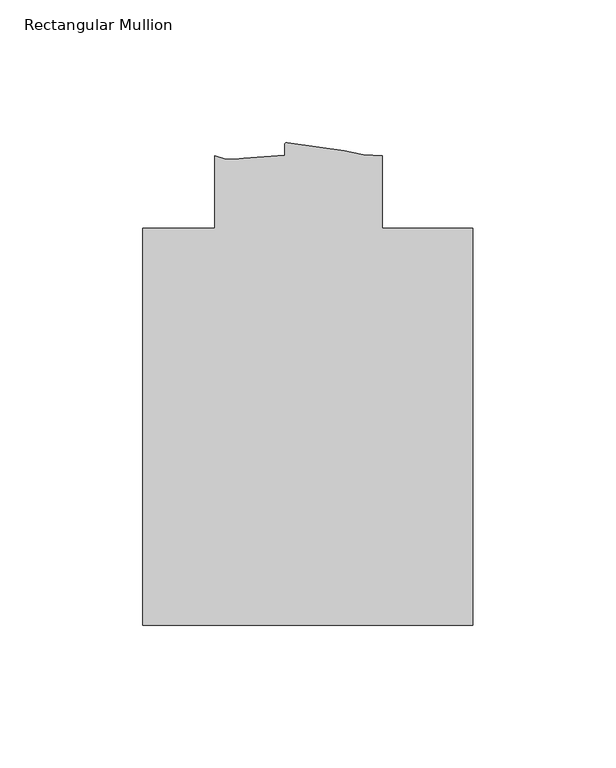
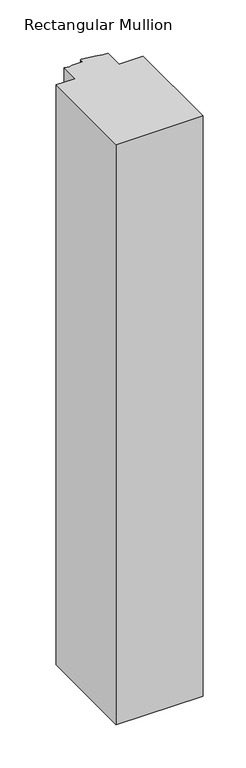
"""IFC4 building model written with IfcOpenShell, lengths in millimetres: member geometry, Rectangular Mullion."""

from ifc_helpers import new_model, si_unit, frame, origin, place, context, project, spatial, polyline, circle_curve, source, transform, mapped, element, save
from ifc_brep_helpers import plane_surface, cylinder_surface, revolved_surface, advanced_brep


def rectangular_mullion_bc51b6ad(model_context):
    return source(origin(), model_context, "Body", "AdvancedBrep", [
        advanced_brep(
        [(57.8957831, -183.6539062, 0.0), (57.8957831, -44.4708359, 0.0), (26.1457366, -44.4708359, 0.0), (26.1457366, -19.0708381, 0.0), (12.7631643, -17.2548727, 0.0), (-7.2154278, -14.4140588, 0.0), (-8.1451264, -15.1573765, 0.0), (-8.1451264, -18.9392032, 0.0), (-22.4768382, -19.8264022, 0.0), (-32.6151862, -19.0708359, 0.0), (-32.6151862, -44.4623588, 0.0), (-58.015073, -44.4623588, 0.0), (-58.015073, -183.6539062, 0.0), (57.8957831, -183.6539062, -819.150004), (-58.015073, -183.6539062, -819.150004), (-58.015073, -44.4623588, -819.150004), (-32.6151862, -44.4623588, -819.150004), (-32.6151862, -19.0708359, -819.150004), (-22.4768382, -19.8264022, -819.150004), (-8.1451264, -18.9392032, -819.150004), (-8.1451264, -15.1573765, -819.150004), (-7.2162535, -14.413873, -819.150004), (12.7631643, -17.2548727, -819.150004), (26.1457366, -19.0708381, -819.150004), (26.1457366, -44.4708359, -819.150004), (57.8957831, -44.4708359, -819.150004)],
        [
            (0, 1),
            (1, 2),
            (2, 3),
            (3, 4, circle_curve(frame((25.2996773, 24.9129496, 0.0), z_axis=(0.0, 0.0, -1.0), x_axis=(0.0, -1.0, 0.0)), 43.9919242)),
            (4, 5, circle_curve(frame((20.5962346, 109.504891, 0.0), z_axis=(0.0, 0.0, -1.0), x_axis=(-0.21898678818963865, -0.975727824036184, 0.0)), 127.0015539)),
            (5, 6, circle_curve(frame((-7.3831264, -15.1573765, 0.0), z_axis=(0.0, 0.0, 1.0), x_axis=(1.0, 0.0, 0.0)), 0.762)),
            (6, 7),
            (7, 8),
            (8, 9, circle_curve(frame((-26.360246, -3.537756, 0.0), z_axis=(0.0, 0.0, -1.0), x_axis=(0.0, -1.0, 0.0)), 16.7451739)),
            (9, 10),
            (10, 11),
            (11, 12),
            (12, 0),
            (13, 14),
            (14, 15),
            (15, 16),
            (16, 17),
            (17, 18, circle_curve(frame((-26.360246, -3.537756, -819.150004), z_axis=(0.0, 0.0, 1.0), x_axis=(0.0, -1.0, 0.0)), 16.7451739)),
            (18, 19),
            (19, 20),
            (20, 21, circle_curve(frame((-7.3831264, -15.1573765, -819.150004), z_axis=(0.0, 0.0, -1.0), x_axis=(1.0, 0.0, 0.0)), 0.762)),
            (21, 22, circle_curve(frame((20.5962346, 109.504891, -819.150004), z_axis=(0.0, 0.0, 1.0), x_axis=(-0.21898678818963865, -0.975727824036184, 0.0)), 127.0015539)),
            (22, 23, circle_curve(frame((25.2996773, 24.9129496, -819.150004), z_axis=(0.0, 0.0, 1.0), x_axis=(0.0, -1.0, 0.0)), 43.9919242)),
            (23, 24),
            (24, 25),
            (25, 13),
            (0, 13),
            (25, 1),
            (24, 2),
            (23, 3),
            (22, 4),
            (21, 5),
            (20, 6),
            (19, 7),
            (18, 8),
            (17, 9),
            (16, 10),
            (15, 11),
            (14, 12),
        ],
        [
            plane_surface(frame((0.0, -192.5993405, 0.0), z_axis=(0.0, 0.0, 1.0), x_axis=(-1.0, 0.0, 0.0))),
            plane_surface(frame((0.0, -192.5993405, -819.150004), z_axis=(0.0, 0.0, -1.0), x_axis=(-1.0, 0.0, 0.0))),
            plane_surface(frame((57.8957831, -183.6539062, 0.0), z_axis=(1.0, 0.0, 0.0), x_axis=(0.0, 0.0, -1.0))),
            plane_surface(frame((57.8957831, -44.4708359, 0.0), z_axis=(0.0, 1.0, 0.0), x_axis=(0.0, 0.0, -1.0))),
            plane_surface(frame((26.1457366, -44.4708359, 0.0), z_axis=(1.0, 0.0, 0.0), x_axis=(0.0, 0.0, -1.0))),
            revolved_surface(polyline([(25.2996773, -19.0789746, -819.150004), (25.2996773, -19.0789746, 0.0)]), (25.2996773, 24.9129496, 0.0), (0.0, 0.0, -1.0)),
            revolved_surface(polyline([(-7.2154277836542775, -14.41405883606113, -819.150004), (-7.2154277836542775, -14.41405883606113, 0.0)]), (20.5962346, 109.504891, 0.0), (0.0, 0.0, -1.0)),
            cylinder_surface(frame((-7.3831264, -15.1573765, 0.0), z_axis=(0.0, 0.0, 1.0), x_axis=(1.0, 0.0, 0.0)), 0.762),
            plane_surface(frame((-8.1451264, -15.1573765, 0.0), z_axis=(-1.0, 0.0, 0.0), x_axis=(0.0, 0.0, -1.0))),
            plane_surface(frame((-8.1451264, -18.9392032, 0.0), z_axis=(-0.06178632761888861, 0.9980893996628616, 0.0), x_axis=(0.0, 0.0, -1.0))),
            revolved_surface(polyline([(-26.360246, -20.2829299, -819.150004), (-26.360246, -20.2829299, 0.0)]), (-26.360246, -3.537756, 0.0), (0.0, 0.0, -1.0)),
            plane_surface(frame((-32.6151862, -19.0708359, 0.0), z_axis=(-1.0, 0.0, 0.0), x_axis=(0.0, 0.0, -1.0))),
            plane_surface(frame((-32.6151862, -44.4623588, 0.0), z_axis=(0.0, 1.0, 0.0), x_axis=(0.0, 0.0, -1.0))),
            plane_surface(frame((-58.015073, -44.4623588, 0.0), z_axis=(-1.0, 0.0, 0.0), x_axis=(0.0, 0.0, -1.0))),
            plane_surface(frame((-58.015073, -183.6539062, 0.0), z_axis=(0.0, -1.0, 0.0), x_axis=(0.0, 0.0, -1.0))),
        ],
        [
            (0, [[1, 2, 3, 4, 5, 6, 7, 8, 9, 10, 11, 12, 13]]),
            (1, [[14, 15, 16, 17, 18, 19, 20, 21, 22, 23, 24, 25, 26]]),
            (2, [[-1, 27, -26, 28]]),
            (3, [[-2, -28, -25, 29]]),
            (4, [[-3, -29, -24, 30]]),
            (5, [[-4, -30, -23, 31]]),
            (6, [[-5, -31, -22, 32]]),
            (7, [[-6, -32, -21, 33]]),
            (8, [[-7, -33, -20, 34]]),
            (9, [[-8, -34, -19, 35]]),
            (10, [[-9, -35, -18, 36]]),
            (11, [[-10, -36, -17, 37]]),
            (12, [[-11, -37, -16, 38]]),
            (13, [[-12, -38, -15, 39]]),
            (14, [[-13, -39, -14, -27]]),
        ],
    ),
    ])


if __name__ == "__main__":
    model = new_model("IFC4")
    model_context = context("Model", 3, world=origin())
    ifc_project = project(units=[si_unit("LENGTHUNIT", "METRE", prefix="MILLI")], contexts=[model_context])
    site = spatial("IfcSite", under=ifc_project)
    building = spatial("IfcBuilding", under=site)
    placement = place(None, origin())
    rectangular_mullion_shape = rectangular_mullion_bc51b6ad(model_context)
    element("IfcMember", 1, ObjectType="Rectangular Mullion", at=placement, inside=building, context=model_context, shape_type="MappedRepresentation", body=[
        mapped(rectangular_mullion_shape, transform((0.0, 0.0, 0.0), x_axis=(1.0, 0.0, 0.0), y_axis=(0.0, 1.0, 0.0), z_axis=(0.0, 0.0, 1.0))),
    ])
    save(model, "model.ifc")
